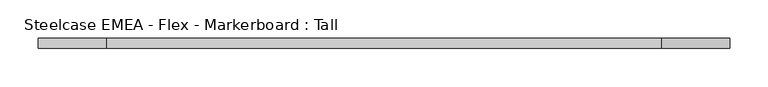
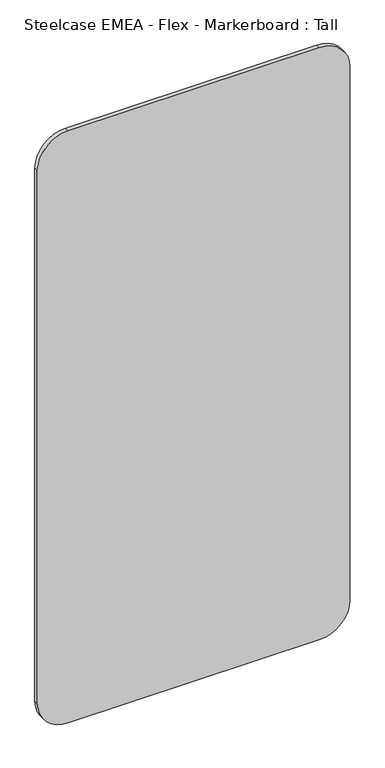
"""IFC4 building model written with IfcOpenShell, lengths in millimetres: furniture geometry, Steelcase EMEA - Flex - Markerboard : Tall."""

import ifcopenshell
import ifcopenshell.guid

model = None  # the IFC model being written
_history = None  # IfcOwnerHistory: only IFC2X3 demands one
_inside = {}  # id of a spatial element -> (the spatial element, [elements in it])
_under = {}  # id of a project, library or spatial element -> (it, [spatial elements below it])
_declared = {}  # id of a project -> (the project, [libraries it declares])
_typed = {}  # id of a type object -> (the type object, [elements of that type])
_made_of = {}  # id of a material, layer set ... -> (it, [elements and type objects made of it])


def new_model(schema):
    """Start an empty IFC model of exactly this schema.

    Asked for "IFC4X3", IfcOpenShell would pick the latest addendum, in which some entities
    have other attributes; the version numbers below select the first issue.
    IFC2X3 requires an IfcOwnerHistory on every rooted entity: one is made here for all.
    """
    global model, _history
    if schema == "IFC4X3":
        model = ifcopenshell.file(schema_version=(4, 3, 0, 0))
    else:
        model = ifcopenshell.file(schema=schema)
    _inside.clear()
    _under.clear()
    _declared.clear()
    _typed.clear()
    _made_of.clear()
    _history = None
    if model.schema == "IFC2X3":
        org = make("IfcOrganization", Name="unknown")
        user = make(
            "IfcPersonAndOrganization",
            ThePerson=make("IfcPerson", FamilyName="unknown"),
            TheOrganization=org,
        )
        app = make(
            "IfcApplication",
            ApplicationDeveloper=org,
            Version="unknown",
            ApplicationFullName="unknown",
            ApplicationIdentifier="unknown",
        )
        _history = make(
            "IfcOwnerHistory",
            OwningUser=user,
            OwningApplication=app,
            ChangeAction="ADDED",
            CreationDate=0,
        )
    return model


def make(cls, **values):
    """One entity of the class cls with the attributes given. An attribute that is None is left unset."""
    return model.create_entity(
        cls, **{name: value for name, value in values.items() if value is not None}
    )


def rooted(cls, **values):
    """An entity with a GlobalId (a new one), such as an element, a storey or a relation."""
    return make(cls, GlobalId=ifcopenshell.guid.new(), OwnerHistory=_history, **values)


def si_unit(unit_type, name, prefix=None):
    """IfcSIUnit, for example si_unit("LENGTHUNIT", "METRE", prefix="MILLI")."""
    return make("IfcSIUnit", UnitType=unit_type, Prefix=prefix, Name=name)


def assignment(units):
    """IfcUnitAssignment: the units of a project."""
    return None if units is None else make("IfcUnitAssignment", Units=units)


def point(xyz):
    """IfcCartesianPoint."""
    return None if xyz is None else make("IfcCartesianPoint", Coordinates=xyz)


def direction(xyz):
    """IfcDirection."""
    return None if xyz is None else make("IfcDirection", DirectionRatios=xyz)


def frame(location, z_axis=None, x_axis=None):
    """IfcAxis2Placement3D, a coordinate frame: its origin and axes. An axis left out is left unset."""
    return make(
        "IfcAxis2Placement3D",
        Location=point(location),
        Axis=direction(z_axis),
        RefDirection=direction(x_axis),
    )


def frame_2d(location, x_axis=None):
    """IfcAxis2Placement2D, a coordinate frame in the plane: its origin and x axis."""
    return make(
        "IfcAxis2Placement2D", Location=point(location), RefDirection=direction(x_axis)
    )


def origin():
    """The frame at (0, 0, 0) with its axes left unset."""
    return frame((0.0, 0.0, 0.0))


def place(relative_to, where):
    """IfcLocalPlacement: puts the frame where relative to a parent placement (None: the world)."""
    return make(
        "IfcLocalPlacement", PlacementRelTo=relative_to, RelativePlacement=where
    )


def context(
    kind, dimensions, precision=None, world=None, true_north=None, identifier=None
):
    """IfcGeometricRepresentationContext, for example the 3D "Model" context."""
    return make(
        "IfcGeometricRepresentationContext",
        ContextIdentifier=identifier,
        ContextType=kind,
        CoordinateSpaceDimension=dimensions,
        Precision=precision,
        WorldCoordinateSystem=world,
        TrueNorth=true_north,
    )


def project(units=None, contexts=None):
    """IfcProject with its units and contexts."""
    return rooted(
        "IfcProject",
        Name="project",
        RepresentationContexts=contexts,
        UnitsInContext=assignment(units),
    )


def spatial(cls, under=None, at=None, **own):
    """A site, building, storey or space (cls), placed at a placement, below another one or the project."""
    s = rooted(cls, ObjectPlacement=at, **own)
    if under is not None:
        _under.setdefault(under.id(), (under, []))[1].append(s)
    return s


def polyline(points):
    """IfcPolyline through the points."""
    return make("IfcPolyline", Points=[point(p) for p in points])


def circle_curve(where, radius):
    """IfcCircle in the frame where."""
    return make("IfcCircle", Position=where, Radius=radius)


def trimmed(basis, trim1, trim2, sense, master):
    """IfcTrimmedCurve: the piece of a basis curve between two trims."""
    return make(
        "IfcTrimmedCurve",
        BasisCurve=basis,
        Trim1=trim1,
        Trim2=trim2,
        SenseAgreement=sense,
        MasterRepresentation=master,
    )


def segment(curve, same_sense, transition):
    """IfcCompositeCurveSegment."""
    return make(
        "IfcCompositeCurveSegment",
        Transition=transition,
        SameSense=same_sense,
        ParentCurve=curve,
    )


def composite_curve(segments, self_intersect=None):
    """IfcCompositeCurve: segments joined end to end."""
    return make("IfcCompositeCurve", Segments=segments, SelfIntersect=self_intersect)


def outline(outer, holes=None, kind="AREA"):
    """IfcArbitraryClosedProfileDef: a profile drawn as a closed curve; with holes, ...WithVoids."""
    if holes is None:
        return make("IfcArbitraryClosedProfileDef", ProfileType=kind, OuterCurve=outer)
    return make(
        "IfcArbitraryProfileDefWithVoids",
        ProfileType=kind,
        OuterCurve=outer,
        InnerCurves=holes,
    )


def extrude(swept, where, along, depth):
    """IfcExtrudedAreaSolid: the profile swept, set in the frame where, extruded along a direction by depth."""
    return make(
        "IfcExtrudedAreaSolid",
        SweptArea=swept,
        Position=where,
        ExtrudedDirection=direction(along),
        Depth=depth,
    )


def shape(context_of_items, identifier, shape_type, items):
    """IfcShapeRepresentation: the items that make up one representation, for example the "Body"."""
    return make(
        "IfcShapeRepresentation",
        ContextOfItems=context_of_items,
        RepresentationIdentifier=identifier,
        RepresentationType=shape_type,
        Items=items,
    )


def source(mapping_origin, context_of_items, identifier, shape_type, items):
    """IfcRepresentationMap: a shape defined once, which mapped items show again and again."""
    return make(
        "IfcRepresentationMap",
        MappingOrigin=mapping_origin,
        MappedRepresentation=shape(context_of_items, identifier, shape_type, items),
    )


def transform(
    local_origin,
    x_axis=None,
    y_axis=None,
    z_axis=None,
    scale=None,
    scale2=None,
    scale3=None,
    uniform=True,
):
    """IfcCartesianTransformationOperator3D, or its non-uniform kind. x_axis, y_axis, z_axis: its Axis1, 2, 3."""
    if uniform:
        return make(
            "IfcCartesianTransformationOperator3D",
            Axis1=direction(x_axis),
            Axis2=direction(y_axis),
            LocalOrigin=point(local_origin),
            Scale=scale,
            Axis3=direction(z_axis),
        )
    return make(
        "IfcCartesianTransformationOperator3DnonUniform",
        Axis1=direction(x_axis),
        Axis2=direction(y_axis),
        LocalOrigin=point(local_origin),
        Scale=scale,
        Axis3=direction(z_axis),
        Scale2=scale2,
        Scale3=scale3,
    )


def mapped(mapping_source, mapping_target):
    """IfcMappedItem: shows the shape of a source again, moved by a transform."""
    return make(
        "IfcMappedItem", MappingSource=mapping_source, MappingTarget=mapping_target
    )


def made_of(thing, what):
    """Note that an element or type object is made of a material, layer set ...; save() writes the relation."""
    if what is not None:
        _made_of.setdefault(what.id(), (what, []))[1].append(thing)
    return thing


def element(
    cls,
    number,
    at=None,
    inside=None,
    cuts=None,
    type_object=None,
    material=None,
    context=None,
    identifier="Body",
    shape_type=None,
    held_by="IfcProductDefinitionShape",
    body=None,
    shapes=None,
    **own,
):
    """One element of the class cls, such as IfcWall. Its Tag is "e" and its number.

    at: its placement. inside: the storey or other place that contains it. cuts: it is an
    opening in that element (IfcRelVoidsElement). A single representation is given by context,
    identifier, shape_type and body (its items); several are given by shapes. held_by: the class
    of the entity that holds the representations. save() writes the other relations.
    """
    e = rooted(cls, Tag="e%d" % number, ObjectPlacement=at, **own)
    if body is not None:
        shapes = [shape(context, identifier, shape_type, body)]
    if shapes is not None:
        e.Representation = make(held_by, Representations=shapes)
    if inside is not None:
        _inside.setdefault(inside.id(), (inside, []))[1].append(e)
    if cuts is not None:
        rooted(
            "IfcRelVoidsElement", RelatingBuildingElement=cuts, RelatedOpeningElement=e
        )
    if type_object is not None:
        _typed.setdefault(type_object.id(), (type_object, []))[1].append(e)
    return made_of(e, material)


def aggregate(whole, parts):
    """IfcRelAggregates: a whole, such as a stair, and the parts it consists of."""
    return rooted("IfcRelAggregates", RelatingObject=whole, RelatedObjects=parts)


def save(model, path):
    """Write the relations noted so far, then the file.

    IfcRelAggregates (storeys below a building ...), IfcRelContainedInSpatialStructure (elements
    in a storey), IfcRelDefinesByType, IfcRelAssociatesMaterial and IfcRelDeclares: one each for
    every whole, place, type object, material and project.
    """
    for whole, parts in _under.values():
        aggregate(whole, parts)
    for where, things in _inside.values():
        rooted(
            "IfcRelContainedInSpatialStructure",
            RelatedElements=things,
            RelatingStructure=where,
        )
    for kind, things in _typed.values():
        rooted("IfcRelDefinesByType", RelatedObjects=things, RelatingType=kind)
    for what, things in _made_of.values():
        rooted("IfcRelAssociatesMaterial", RelatedObjects=things, RelatingMaterial=what)
    for by, libraries in _declared.values():
        rooted("IfcRelDeclares", RelatingContext=by, RelatedDefinitions=libraries)
    model.write(path)


def steelcase_emea_flex_markerboard_tall_933f601b(model_context):
    return source(origin(), model_context, "Body", "SweptSolid", [
        extrude(outline(composite_curve([segment(polyline([(1800.0, 811.1), (1800.0, 88.9)]), True, "CONTINUOUS"), segment(trimmed(circle_curve(frame_2d((1711.1, 88.9)), 88.9), [point((1800.0, 88.9))], [point((1711.1, 0.0))], False, "CARTESIAN"), True, "CONTINUOUS"), segment(polyline([(1711.1, 0.0), (88.9, 0.0)]), True, "CONTINUOUS"), segment(trimmed(circle_curve(frame_2d((88.9, 88.9)), 88.9), [point((88.9, 0.0))], [point((0.0, 88.9))], False, "CARTESIAN"), True, "CONTINUOUS"), segment(polyline([(0.0, 88.9), (0.0, 811.1)]), True, "CONTINUOUS"), segment(trimmed(circle_curve(frame_2d((88.9, 811.1)), 88.9), [point((0.0, 811.1))], [point((88.9, 900.0))], False, "CARTESIAN"), True, "CONTINUOUS"), segment(polyline([(88.9, 900.0), (1711.1, 900.0)]), True, "CONTINUOUS"), segment(trimmed(circle_curve(frame_2d((1711.1, 811.1)), 88.9), [point((1711.1, 900.0))], [point((1800.0, 811.1))], False, "CARTESIAN"), True, "CONTINUOUS")], self_intersect=False)), frame((0.0, -12.6931299, 0.0), z_axis=(0.0, 1.0, 0.0), x_axis=(0.0, 0.0, 1.0)), (0.0, 0.0, 1.0), 12.6931299),
    ])


if __name__ == "__main__":
    model = new_model("IFC4")
    model_context = context("Model", 3, world=origin())
    ifc_project = project(units=[si_unit("LENGTHUNIT", "METRE", prefix="MILLI")], contexts=[model_context])
    site = spatial("IfcSite", under=ifc_project)
    building = spatial("IfcBuilding", under=site)
    placement = place(None, origin())
    steelcase_emea_flex_markerboard_tall_shape = steelcase_emea_flex_markerboard_tall_933f601b(model_context)
    element("IfcFurniture", 1, ObjectType="Steelcase EMEA - Flex - Markerboard : Tall", at=placement, inside=building, context=model_context, shape_type="MappedRepresentation", body=[
        mapped(steelcase_emea_flex_markerboard_tall_shape, transform((0.0, 0.0, 0.0), x_axis=(1.0, 0.0, 0.0), y_axis=(0.0, 1.0, 0.0), z_axis=(0.0, 0.0, 1.0))),
    ])
    save(model, "model.ifc")
